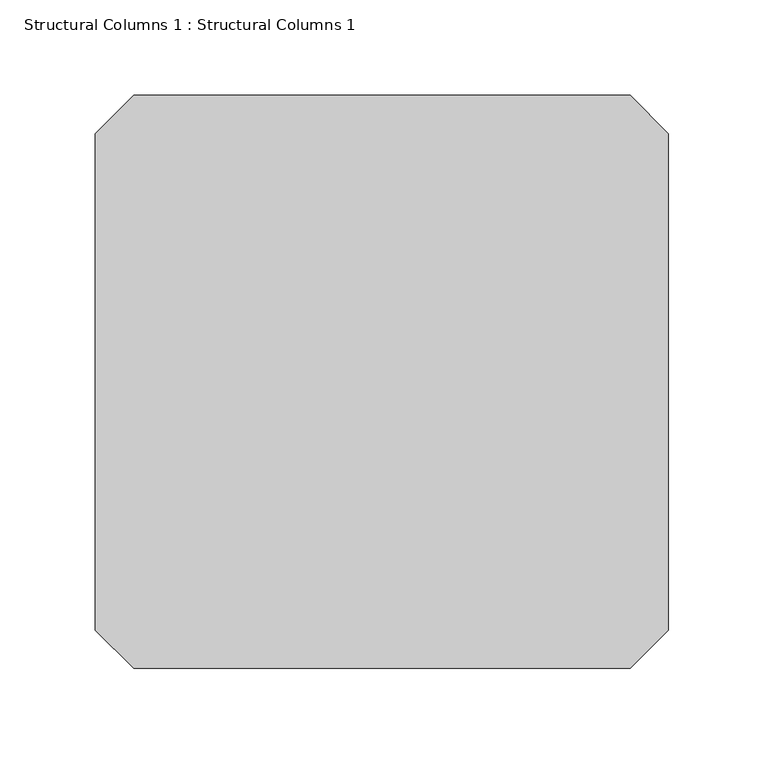
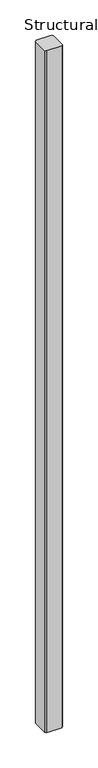
"""IFC4 building model written with IfcOpenShell, lengths in millimetres: column geometry, Structural Columns 1 : Structural Columns 1."""

from ifc_helpers import new_model, si_unit, origin, origin_with_axes, place, context, project, spatial, polyline, outline, extrude, source, transform, mapped, element, save


def structural_columns_1_structural_columns_1_35a4a2b5(model_context):
    return source(origin(), model_context, "Body", "SweptSolid", [
        extrude(outline(polyline([(-150.0, -130.0), (-150.0, 130.0), (-130.0, 150.0), (130.0, 150.0), (150.0, 130.0), (150.0, -130.0), (130.0, -150.0), (-130.0, -150.0), (-150.0, -130.0)])), origin_with_axes(), (0.0, 0.0, 1.0), 12000.0),
    ])


if __name__ == "__main__":
    model = new_model("IFC4")
    model_context = context("Model", 3, world=origin())
    ifc_project = project(units=[si_unit("LENGTHUNIT", "METRE", prefix="MILLI")], contexts=[model_context])
    site = spatial("IfcSite", under=ifc_project)
    building = spatial("IfcBuilding", under=site)
    placement = place(None, origin())
    structural_columns_1_structural_columns_1_shape = structural_columns_1_structural_columns_1_35a4a2b5(model_context)
    element("IfcColumn", 1, ObjectType="Structural Columns 1 : Structural Columns 1", at=placement, inside=building, context=model_context, shape_type="MappedRepresentation", body=[
        mapped(structural_columns_1_structural_columns_1_shape, transform((0.0, 0.0, 0.0), x_axis=(1.0, 0.0, 0.0), y_axis=(0.0, 1.0, 0.0), z_axis=(0.0, 0.0, 1.0))),
    ])
    save(model, "model.ifc")
